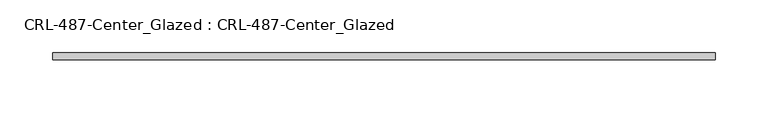
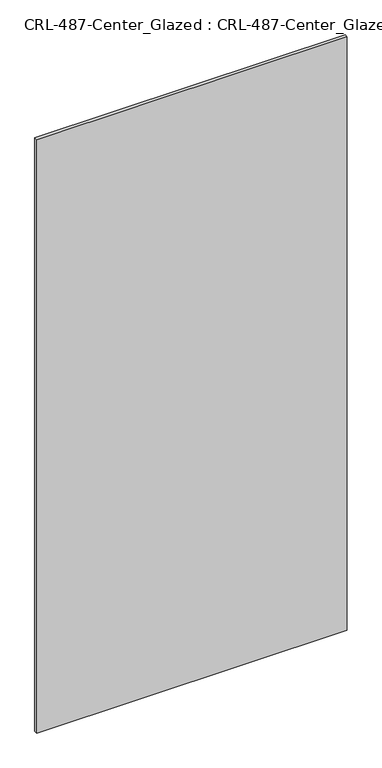
"""IFC4 building model written with IfcOpenShell, lengths in millimetres: plate geometry, CRL-487-Center_Glazed : CRL-487-Center_Glazed."""

from ifc_helpers import new_model, si_unit, origin, origin_with_axes, place, context, project, spatial, polyline, outline, extrude, source, transform, mapped, element, save


def crl_487_center_glazed_crl_487_center_glazed_1d768f23(model_context):
    return source(origin(), model_context, "Body", "SweptSolid", [
        extrude(outline(polyline([(313.53125, -3.1749999), (-313.53125, -3.1749999), (-313.53125, 3.1749999), (313.53125, 3.1749999), (313.53125, -3.1749999)])), origin_with_axes(), (0.0, 0.0, 1.0), 1266.825),
    ])


if __name__ == "__main__":
    model = new_model("IFC4")
    model_context = context("Model", 3, world=origin())
    ifc_project = project(units=[si_unit("LENGTHUNIT", "METRE", prefix="MILLI")], contexts=[model_context])
    site = spatial("IfcSite", under=ifc_project)
    building = spatial("IfcBuilding", under=site)
    placement = place(None, origin())
    crl_487_center_glazed_crl_487_center_glazed_shape = crl_487_center_glazed_crl_487_center_glazed_1d768f23(model_context)
    element("IfcPlate", 1, ObjectType="CRL-487-Center_Glazed : CRL-487-Center_Glazed", at=placement, inside=building, context=model_context, shape_type="MappedRepresentation", body=[
        mapped(crl_487_center_glazed_crl_487_center_glazed_shape, transform((0.0, 0.0, 0.0), x_axis=(1.0, 0.0, 0.0), y_axis=(0.0, 1.0, 0.0), z_axis=(0.0, 0.0, 1.0))),
    ])
    save(model, "model.ifc")
